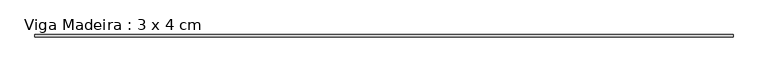
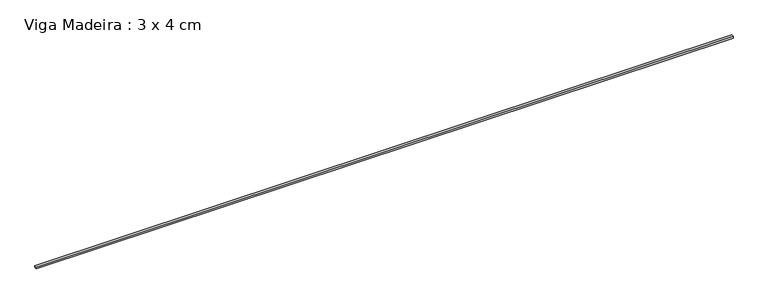
"""IFC4 building model written with IfcOpenShell, lengths in millimetres: beam geometry, Viga Madeira : 3 x 4 cm."""

from ifc_helpers import new_model, si_unit, frame, origin, place, context, project, spatial, polyline, outline, extrude, source, transform, mapped, element, save


def viga_madeira_3_x_4_cm_cfe9033c(model_context):
    return source(origin(), model_context, "Body", "SweptSolid", [
        extrude(outline(polyline([(5467.7813521, 20.0), (5467.7813521, -20.0), (-5467.7813521, -20.0), (-5467.7813521, 20.0), (5467.7813521, 20.0)])), frame((0.0, 0.0, -15.0), z_axis=(0.0, 0.0, 1.0), x_axis=(1.0, 0.0, 0.0)), (0.0, 0.0, 1.0), 30.0),
    ])


if __name__ == "__main__":
    model = new_model("IFC4")
    model_context = context("Model", 3, world=origin())
    ifc_project = project(units=[si_unit("LENGTHUNIT", "METRE", prefix="MILLI")], contexts=[model_context])
    site = spatial("IfcSite", under=ifc_project)
    building = spatial("IfcBuilding", under=site)
    placement = place(None, origin())
    viga_madeira_3_x_4_cm_shape = viga_madeira_3_x_4_cm_cfe9033c(model_context)
    element("IfcBeam", 1, ObjectType="Viga Madeira : 3 x 4 cm", at=placement, inside=building, context=model_context, shape_type="MappedRepresentation", body=[
        mapped(viga_madeira_3_x_4_cm_shape, transform((0.0, 0.0, 0.0), x_axis=(1.0, 0.0, 0.0), y_axis=(0.0, 1.0, 0.0), z_axis=(0.0, 0.0, 1.0))),
    ])
    save(model, "model.ifc")
